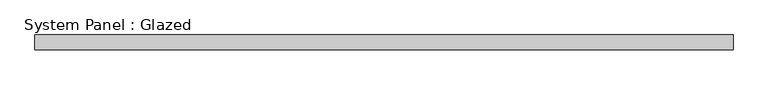
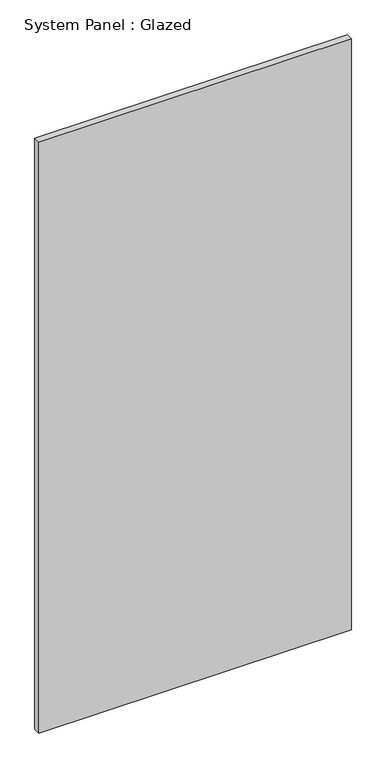
"""IFC4 building model written with IfcOpenShell, lengths in millimetres: plate geometry, System Panel : Glazed."""

from ifc_helpers import new_model, si_unit, origin, origin_with_axes, place, context, project, spatial, polyline, outline, extrude, source, transform, mapped, element, save


def system_panel_glazed_b24ab892(model_context):
    return source(origin(), model_context, "Body", "SweptSolid", [
        extrude(outline(polyline([(594.5979167, -44.45), (-594.5979167, -44.45), (-594.5979167, -19.05), (594.5979167, -19.05), (594.5979167, -44.45)])), origin_with_axes(), (0.0, 0.0, 1.0), 2374.9),
    ])


if __name__ == "__main__":
    model = new_model("IFC4")
    model_context = context("Model", 3, world=origin())
    ifc_project = project(units=[si_unit("LENGTHUNIT", "METRE", prefix="MILLI")], contexts=[model_context])
    site = spatial("IfcSite", under=ifc_project)
    building = spatial("IfcBuilding", under=site)
    placement = place(None, origin())
    system_panel_glazed_shape = system_panel_glazed_b24ab892(model_context)
    element("IfcPlate", 1, ObjectType="System Panel : Glazed", at=placement, inside=building, context=model_context, shape_type="MappedRepresentation", body=[
        mapped(system_panel_glazed_shape, transform((0.0, 0.0, 0.0), x_axis=(1.0, 0.0, 0.0), y_axis=(0.0, 1.0, 0.0), z_axis=(0.0, 0.0, 1.0))),
    ])
    save(model, "model.ifc")
